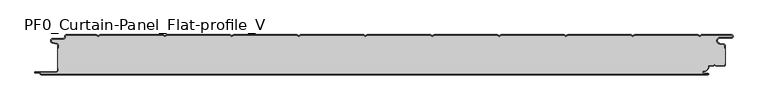
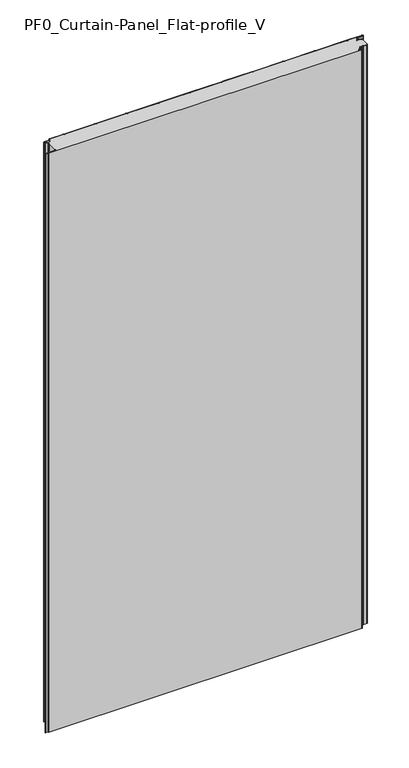
"""IFC4 building model written with IfcOpenShell, lengths in millimetres: plate geometry, PF0_Curtain-Panel_Flat-profile_V."""

from ifc_helpers import new_model, si_unit, point, frame, frame_2d, origin, origin_with_axes, place, context, project, spatial, polyline, circle_curve, trimmed, segment, composite_curve, outline, extrude, source, transform, mapped, element, save
from ifc_brep_helpers import plane_surface, cylinder_surface, revolved_surface, advanced_brep


def pf0_curtain_panel_flat_profile_v_43786454(model_context):
    return source(origin(), model_context, "Body", "SolidModel", [
        advanced_brep(
        [(-500.0, -15.878557, 1945.7507136), (-500.0, -20.0, 1945.7507136), (-499.2, -20.0, 1945.7507136), (-499.2, -15.878557, 1945.7507136), (-501.370137, -13.1503208, 1945.7507136), (-507.529863, -11.728236, 1945.7507136), (-506.9, -6.2, 1945.7507136), (-491.4, -6.2, 1945.7507136), (-488.6, -3.4, 1945.7507136), (-488.6, -2.0, 1945.7507136), (-487.4, -0.8, 1945.7507136), (-442.3143588, -0.8, 1945.7507136), (-439.4, -2.482606, 1945.7507136), (-436.4856412, -0.8, 1945.7507136), (-342.3143588, -0.8, 1945.7507136), (-339.4, -2.482606, 1945.7507136), (-336.4856412, -0.8, 1945.7507136), (-242.3143588, -0.8, 1945.7507136), (-239.4, -2.482606, 1945.7507136), (-236.4856412, -0.8, 1945.7507136), (-142.3143588, -0.8, 1945.7507136), (-139.4, -2.482606, 1945.7507136), (-136.4856412, -0.8, 1945.7507136), (-42.3143588, -0.8, 1945.7507136), (-39.4, -2.482606, 1945.7507136), (-36.4856412, -0.8, 1945.7507136), (57.6856412, -0.8, 1945.7507136), (60.6, -2.482606, 1945.7507136), (63.5143588, -0.8, 1945.7507136), (157.6856412, -0.8, 1945.7507136), (160.6, -2.482606, 1945.7507136), (163.5143588, -0.8, 1945.7507136), (257.6856412, -0.8, 1945.7507136), (260.6, -2.482606, 1945.7507136), (263.5143588, -0.8, 1945.7507136), (357.6856412, -0.8, 1945.7507136), (360.6, -2.482606, 1945.7507136), (363.5143588, -0.8, 1945.7507136), (457.6856412, -0.8, 1945.7507136), (460.6, -2.482606, 1945.7507136), (463.5143588, -0.8, 1945.7507136), (508.1, -0.8, 1945.7507136), (508.1, -4.2, 1945.7507136), (491.1, -4.2, 1945.7507136), (490.2664884, -13.7270771, 1945.7507136), (496.7125669, -14.8636953, 1945.7507136), (498.2, -16.6363492, 1945.7507136), (498.2, -20.0, 1945.7507136), (499.0, -20.0, 1945.7507136), (499.0, -16.6363492, 1945.7507136), (496.8514855, -14.0758491, 1945.7507136), (490.405407, -12.939231, 1945.7507136), (491.1, -5.0, 1945.7507136), (508.1, -5.0, 1945.7507136), (510.6, -2.5, 1945.7507136), (508.1, 0.0, 1945.7507136), (463.2999995, 0.0, 1945.7507136), (460.6, -1.5588455, 1945.7507136), (457.9000005, 0.0, 1945.7507136), (363.2999995, 0.0, 1945.7507136), (360.6, -1.5588455, 1945.7507136), (357.9000005, 0.0, 1945.7507136), (263.2999995, 0.0, 1945.7507136), (260.6, -1.5588455, 1945.7507136), (257.9000005, 0.0, 1945.7507136), (163.2999995, 0.0, 1945.7507136), (160.6, -1.5588455, 1945.7507136), (157.9000005, 0.0, 1945.7507136), (63.2999995, 0.0, 1945.7507136), (60.6, -1.5588455, 1945.7507136), (57.9000005, 0.0, 1945.7507136), (-36.7000005, 0.0, 1945.7507136), (-39.4, -1.5588455, 1945.7507136), (-42.0999995, 0.0, 1945.7507136), (-136.7000005, 0.0, 1945.7507136), (-139.4, -1.5588455, 1945.7507136), (-142.0999995, 0.0, 1945.7507136), (-236.7000005, 0.0, 1945.7507136), (-239.4, -1.5588455, 1945.7507136), (-242.0999995, 0.0, 1945.7507136), (-336.7000005, 0.0, 1945.7507136), (-339.4, -1.5588455, 1945.7507136), (-342.0999995, 0.0, 1945.7507136), (-436.7000005, 0.0, 1945.7507136), (-439.4, -1.5588455, 1945.7507136), (-442.0999995, 0.0, 1945.7507136), (-487.4, 0.0, 1945.7507136), (-489.4, -2.0, 1945.7507136), (-489.4, -3.4, 1945.7507136), (-491.4, -5.4, 1945.7507136), (-506.9, -5.4, 1945.7507136), (-507.7098239, -12.5077322, 1945.7507136), (-501.5500979, -13.929817, 1945.7507136), (-500.0, -15.878557, 0.0), (-501.5500978, -13.9298169, 0.0), (-507.7098239, -12.507732, 0.0), (-506.9, -5.4, 0.0), (-491.4, -5.4, 0.0), (-489.4, -3.4, 0.0), (-489.4, -2.0, 0.0), (-487.4, 0.0, 0.0), (-442.0999995, 0.0, 0.0), (-439.4, -1.5588455, 0.0), (-436.7000005, 0.0, 0.0), (-342.0999995, 0.0, 0.0), (-339.4, -1.5588455, 0.0), (-336.7000005, 0.0, 0.0), (-242.0999995, 0.0, 0.0), (-239.4, -1.5588455, 0.0), (-236.7000005, 0.0, 0.0), (-142.0999995, 0.0, 0.0), (-139.4, -1.5588455, 0.0), (-136.7000005, 0.0, 0.0), (-42.0999995, 0.0, 0.0), (-39.4, -1.5588455, 0.0), (-36.7000005, 0.0, 0.0), (57.9000005, 0.0, 0.0), (60.6, -1.5588455, 0.0), (63.2999995, 0.0, 0.0), (157.9000005, 0.0, 0.0), (160.6, -1.5588455, 0.0), (163.2999995, 0.0, 0.0), (257.9000005, 0.0, 0.0), (260.6, -1.5588455, 0.0), (263.2999995, 0.0, 0.0), (357.9000005, 0.0, 0.0), (360.6, -1.5588455, 0.0), (363.2999995, 0.0, 0.0), (457.9000005, 0.0, 0.0), (460.6, -1.5588455, 0.0), (463.2999995, 0.0, 0.0), (508.1, 0.0, 0.0), (510.6, -2.5, 0.0), (508.1, -5.0, 0.0), (491.1, -5.0, 0.0), (490.405407, -12.939231, 0.0), (496.8514855, -14.0758491, 0.0), (499.0, -16.6363492, 0.0), (499.0, -20.0, 0.0), (498.2, -20.0, 0.0), (498.2, -16.6363492, 0.0), (496.7125669, -14.8636953, 0.0), (490.2664884, -13.7270772, 0.0), (491.1, -4.2, 0.0), (508.1, -4.2, 0.0), (508.1, -0.8, 0.0), (463.5143588, -0.8, 0.0), (460.6, -2.482606, 0.0), (457.6856412, -0.8, 0.0), (363.5143588, -0.8, 0.0), (360.6, -2.482606, 0.0), (357.6856412, -0.8, 0.0), (263.5143588, -0.8, 0.0), (260.6, -2.482606, 0.0), (257.6856412, -0.8, 0.0), (163.5143588, -0.8, 0.0), (160.6, -2.482606, 0.0), (157.6856412, -0.8, 0.0), (63.5143588, -0.8, 0.0), (60.6, -2.482606, 0.0), (57.6856412, -0.8, 0.0), (-36.4856412, -0.8, 0.0), (-39.4, -2.482606, 0.0), (-42.3143588, -0.8, 0.0), (-136.4856412, -0.8, 0.0), (-139.4, -2.482606, 0.0), (-142.3143588, -0.8, 0.0), (-236.4856412, -0.8, 0.0), (-239.4, -2.482606, 0.0), (-242.3143588, -0.8, 0.0), (-336.4856412, -0.8, 0.0), (-339.4, -2.482606, 0.0), (-342.3143588, -0.8, 0.0), (-436.4856412, -0.8, 0.0), (-439.4, -2.482606, 0.0), (-442.3143588, -0.8, 0.0), (-487.4, -0.8, 0.0), (-488.6, -2.0, 0.0), (-488.6, -3.4, 0.0), (-491.4, -6.2, 0.0), (-506.9, -6.2, 0.0), (-507.529863, -11.7282362, 0.0), (-501.370137, -13.150321, 0.0), (-499.2, -15.878557, 0.0), (-499.2, -20.0, 0.0), (-500.0, -20.0, 0.0)],
        [
            (0, 1),
            (1, 2),
            (2, 3),
            (3, 4, circle_curve(frame((-502.0, -15.878557, 1945.7507136), z_axis=(0.0, 0.0, 1.0), x_axis=(1.0, 0.0, 0.0)), 2.8)),
            (4, 5),
            (5, 6, circle_curve(frame((-506.9, -9.0, 1945.7507136), z_axis=(0.0, 0.0, -1.0), x_axis=(1.0, 0.0, 0.0)), 2.8)),
            (6, 7),
            (7, 8, circle_curve(frame((-491.4, -3.4, 1945.7507136), z_axis=(0.0, 0.0, 1.0), x_axis=(1.0, 0.0, 0.0)), 2.8)),
            (8, 9),
            (9, 10, circle_curve(frame((-487.4, -2.0, 1945.7507136), z_axis=(0.0, 0.0, -1.0), x_axis=(1.0, 0.0, 0.0)), 1.2)),
            (10, 11),
            (11, 12),
            (12, 13),
            (13, 14),
            (14, 15),
            (15, 16),
            (16, 17),
            (17, 18),
            (18, 19),
            (19, 20),
            (20, 21),
            (21, 22),
            (22, 23),
            (23, 24),
            (24, 25),
            (25, 26),
            (26, 27),
            (27, 28),
            (28, 29),
            (29, 30),
            (30, 31),
            (31, 32),
            (32, 33),
            (33, 34),
            (34, 35),
            (35, 36),
            (36, 37),
            (37, 38),
            (38, 39),
            (39, 40),
            (40, 41),
            (41, 42, circle_curve(frame((508.1, -2.5, 1945.7507136), z_axis=(0.0, 0.0, -1.0), x_axis=(1.0, 0.0, 0.0)), 1.7)),
            (42, 43),
            (43, 44, circle_curve(frame((491.1, -9.0, 1945.7507136), z_axis=(0.0, 0.0, 1.0), x_axis=(1.0, 0.0, 0.0)), 4.8)),
            (44, 45),
            (45, 46, circle_curve(frame((496.4, -16.6363492, 1945.7507136), z_axis=(0.0, 0.0, -1.0), x_axis=(1.0, 0.0, 0.0)), 1.8)),
            (46, 47),
            (47, 48),
            (48, 49),
            (49, 50, circle_curve(frame((496.4, -16.6363492, 1945.7507136), z_axis=(0.0, 0.0, 1.0), x_axis=(1.0, 0.0, 0.0)), 2.6)),
            (50, 51),
            (51, 52, circle_curve(frame((491.1, -9.0, 1945.7507136), z_axis=(0.0, 0.0, -1.0), x_axis=(1.0, 0.0, 0.0)), 4.0)),
            (52, 53),
            (53, 54, circle_curve(frame((508.1, -2.5, 1945.7507136), z_axis=(0.0, 0.0, 1.0), x_axis=(1.0, 0.0, 0.0)), 2.5)),
            (54, 55, circle_curve(frame((508.1, -2.5, 1945.7507136), z_axis=(0.0, 0.0, 1.0), x_axis=(1.0, 0.0, 0.0)), 2.5)),
            (55, 56),
            (56, 57),
            (57, 58),
            (58, 59),
            (59, 60),
            (60, 61),
            (61, 62),
            (62, 63),
            (63, 64),
            (64, 65),
            (65, 66),
            (66, 67),
            (67, 68),
            (68, 69),
            (69, 70),
            (70, 71),
            (71, 72),
            (72, 73),
            (73, 74),
            (74, 75),
            (75, 76),
            (76, 77),
            (77, 78),
            (78, 79),
            (79, 80),
            (80, 81),
            (81, 82),
            (82, 83),
            (83, 84),
            (84, 85),
            (85, 86),
            (86, 87, circle_curve(frame((-487.4, -2.0, 1945.7507136), z_axis=(0.0, 0.0, 1.0), x_axis=(1.0, 0.0, 0.0)), 2.0)),
            (87, 88),
            (88, 89, circle_curve(frame((-491.4, -3.4, 1945.7507136), z_axis=(0.0, 0.0, -1.0), x_axis=(1.0, 0.0, 0.0)), 2.0)),
            (89, 90),
            (90, 91, circle_curve(frame((-506.9, -9.0, 1945.7507136), z_axis=(0.0, 0.0, 1.0), x_axis=(1.0, 0.0, 0.0)), 3.6)),
            (91, 92),
            (92, 0, circle_curve(frame((-502.0, -15.878557, 1945.7507136), z_axis=(0.0, 0.0, -1.0), x_axis=(1.0, 0.0, 0.0)), 2.0)),
            (93, 94, circle_curve(frame((-502.0, -15.878557, 0.0), z_axis=(0.0, 0.0, 1.0), x_axis=(1.0, 0.0, 0.0)), 2.0)),
            (94, 95),
            (95, 96, circle_curve(frame((-506.9, -9.0, 0.0), z_axis=(0.0, 0.0, -1.0), x_axis=(1.0, 0.0, 0.0)), 3.6)),
            (96, 97),
            (97, 98, circle_curve(frame((-491.4, -3.4, 0.0), z_axis=(0.0, 0.0, 1.0), x_axis=(1.0, 0.0, 0.0)), 2.0)),
            (98, 99),
            (99, 100, circle_curve(frame((-487.4, -2.0, 0.0), z_axis=(0.0, 0.0, -1.0), x_axis=(1.0, 0.0, 0.0)), 2.0)),
            (100, 101),
            (101, 102),
            (102, 103),
            (103, 104),
            (104, 105),
            (105, 106),
            (106, 107),
            (107, 108),
            (108, 109),
            (109, 110),
            (110, 111),
            (111, 112),
            (112, 113),
            (113, 114),
            (114, 115),
            (115, 116),
            (116, 117),
            (117, 118),
            (118, 119),
            (119, 120),
            (120, 121),
            (121, 122),
            (122, 123),
            (123, 124),
            (124, 125),
            (125, 126),
            (126, 127),
            (127, 128),
            (128, 129),
            (129, 130),
            (130, 131),
            (131, 132, circle_curve(frame((508.1, -2.5, 0.0), z_axis=(0.0, 0.0, -1.0), x_axis=(1.0, 0.0, 0.0)), 2.5)),
            (132, 133, circle_curve(frame((508.1, -2.5, 0.0), z_axis=(0.0, 0.0, -1.0), x_axis=(1.0, 0.0, 0.0)), 2.5)),
            (133, 134),
            (134, 135, circle_curve(frame((491.1, -9.0, 0.0), z_axis=(0.0, 0.0, 1.0), x_axis=(1.0, 0.0, 0.0)), 4.0)),
            (135, 136),
            (136, 137, circle_curve(frame((496.4, -16.6363492, 0.0), z_axis=(0.0, 0.0, -1.0), x_axis=(1.0, 0.0, 0.0)), 2.6)),
            (137, 138),
            (138, 139),
            (139, 140),
            (140, 141, circle_curve(frame((496.4, -16.6363492, 0.0), z_axis=(0.0, 0.0, 1.0), x_axis=(1.0, 0.0, 0.0)), 1.8)),
            (141, 142),
            (142, 143, circle_curve(frame((491.1, -9.0, 0.0), z_axis=(0.0, 0.0, -1.0), x_axis=(1.0, 0.0, 0.0)), 4.8)),
            (143, 144),
            (144, 145, circle_curve(frame((508.1, -2.5, 0.0), z_axis=(0.0, 0.0, 1.0), x_axis=(1.0, 0.0, 0.0)), 1.7)),
            (145, 146),
            (146, 147),
            (147, 148),
            (148, 149),
            (149, 150),
            (150, 151),
            (151, 152),
            (152, 153),
            (153, 154),
            (154, 155),
            (155, 156),
            (156, 157),
            (157, 158),
            (158, 159),
            (159, 160),
            (160, 161),
            (161, 162),
            (162, 163),
            (163, 164),
            (164, 165),
            (165, 166),
            (166, 167),
            (167, 168),
            (168, 169),
            (169, 170),
            (170, 171),
            (171, 172),
            (172, 173),
            (173, 174),
            (174, 175),
            (175, 176),
            (176, 177, circle_curve(frame((-487.4, -2.0, 0.0), z_axis=(0.0, 0.0, 1.0), x_axis=(1.0, 0.0, 0.0)), 1.2)),
            (177, 178),
            (178, 179, circle_curve(frame((-491.4, -3.4, 0.0), z_axis=(0.0, 0.0, -1.0), x_axis=(1.0, 0.0, 0.0)), 2.8)),
            (179, 180),
            (180, 181, circle_curve(frame((-506.9, -9.0, 0.0), z_axis=(0.0, 0.0, 1.0), x_axis=(1.0, 0.0, 0.0)), 2.8)),
            (181, 182),
            (182, 183, circle_curve(frame((-502.0, -15.878557, 0.0), z_axis=(0.0, 0.0, -1.0), x_axis=(1.0, 0.0, 0.0)), 2.8)),
            (183, 184),
            (184, 185),
            (185, 93),
            (0, 93),
            (185, 1),
            (184, 2),
            (183, 3),
            (182, 4),
            (181, 5),
            (180, 6),
            (179, 7),
            (178, 8),
            (177, 9),
            (176, 10),
            (175, 11),
            (174, 12),
            (173, 13),
            (172, 14),
            (171, 15),
            (170, 16),
            (169, 17),
            (168, 18),
            (167, 19),
            (166, 20),
            (165, 21),
            (164, 22),
            (163, 23),
            (162, 24),
            (161, 25),
            (160, 26),
            (159, 27),
            (158, 28),
            (157, 29),
            (156, 30),
            (155, 31),
            (154, 32),
            (153, 33),
            (152, 34),
            (151, 35),
            (150, 36),
            (149, 37),
            (148, 38),
            (147, 39),
            (146, 40),
            (145, 41),
            (144, 42),
            (143, 43),
            (142, 44),
            (141, 45),
            (140, 46),
            (139, 47),
            (138, 48),
            (137, 49),
            (136, 50),
            (135, 51),
            (134, 52),
            (133, 53),
            (131, 55),
            (56, 130),
            (129, 57),
            (128, 58),
            (127, 59),
            (126, 60),
            (125, 61),
            (124, 62),
            (123, 63),
            (122, 64),
            (121, 65),
            (120, 66),
            (119, 67),
            (118, 68),
            (117, 69),
            (116, 70),
            (115, 71),
            (114, 72),
            (113, 73),
            (112, 74),
            (111, 75),
            (110, 76),
            (109, 77),
            (108, 78),
            (107, 79),
            (106, 80),
            (105, 81),
            (104, 82),
            (103, 83),
            (102, 84),
            (101, 85),
            (100, 86),
            (99, 87),
            (98, 88),
            (97, 89),
            (96, 90),
            (95, 91),
            (94, 92),
        ],
        [
            plane_surface(frame((-500.0, 0.0, 1945.7507136), z_axis=(0.0, 0.0, 1.0), x_axis=(0.0, 1.0, 0.0))),
            plane_surface(frame((-500.0, 0.0, 0.0), z_axis=(0.0, 0.0, -1.0), x_axis=(0.0, 1.0, 0.0))),
            plane_surface(frame((-500.0, -15.878557, 1945.7507136), z_axis=(-1.0, 0.0, 0.0), x_axis=(0.0, 0.0, -1.0))),
            plane_surface(frame((-500.0, -20.0, 1945.7507136), z_axis=(0.0, -1.0, 0.0), x_axis=(0.0, 0.0, -1.0))),
            plane_surface(frame((-499.2, -20.0, 1945.7507136), z_axis=(1.0, 0.0, 0.0), x_axis=(0.0, 0.0, -1.0))),
            cylinder_surface(frame((-502.0, -15.878557, 1945.7507136), z_axis=(0.0, 0.0, 1.0), x_axis=(1.0, 0.0, 0.0)), 2.8),
            plane_surface(frame((-501.370137, -13.150321, 1945.7507136), z_axis=(0.22495108446242484, 0.9743700578318174, 0.0), x_axis=(0.0, 0.0, -1.0))),
            revolved_surface(polyline([(-504.09999999999997, -9.0, 0.0), (-504.09999999999997, -9.0, 1945.7507136)]), (-506.9, -9.0, 1945.7507136), (0.0, 0.0, -1.0)),
            plane_surface(frame((-506.9, -6.2, 1945.7507136), z_axis=(0.0, -1.0, 0.0), x_axis=(0.0, 0.0, -1.0))),
            cylinder_surface(frame((-491.4, -3.4, 1945.7507136), z_axis=(0.0, 0.0, 1.0), x_axis=(1.0, 0.0, 0.0)), 2.8),
            plane_surface(frame((-488.6, -3.4, 1945.7507136), z_axis=(1.0, 0.0, 0.0), x_axis=(0.0, 0.0, -1.0))),
            revolved_surface(polyline([(-486.2, -2.0, 0.0), (-486.2, -2.0, 1945.7507136)]), (-487.4, -2.0, 1945.7507136), (0.0, 0.0, -1.0)),
            plane_surface(frame((-487.4, -0.8, 1945.7507136), z_axis=(0.0, -1.0, 0.0), x_axis=(0.0, 0.0, -1.0))),
            plane_surface(frame((-442.3143588, -0.8, 1945.7507136), z_axis=(-0.5000000299313342, -0.8660253865035741, 0.0), x_axis=(0.0, 0.0, -1.0))),
            plane_surface(frame((-439.4, -2.482606, 1945.7507136), z_axis=(0.5000000299313233, -0.8660253865035805, 0.0), x_axis=(0.0, 0.0, -1.0))),
            plane_surface(frame((-436.4856412, -0.8, 1945.7507136), z_axis=(0.0, -1.0, 0.0), x_axis=(0.0, 0.0, -1.0))),
            plane_surface(frame((-342.3143588, -0.8, 1945.7507136), z_axis=(-0.5000000299313346, -0.8660253865035739, 0.0), x_axis=(0.0, 0.0, -1.0))),
            plane_surface(frame((-339.4, -2.482606, 1945.7507136), z_axis=(0.5000000299313251, -0.8660253865035794, 0.0), x_axis=(0.0, 0.0, -1.0))),
            plane_surface(frame((-336.4856412, -0.8, 1945.7507136), z_axis=(0.0, -1.0, 0.0), x_axis=(0.0, 0.0, -1.0))),
            plane_surface(frame((-242.3143588, -0.8, 1945.7507136), z_axis=(-0.5000000299313346, -0.866025386503574, 0.0), x_axis=(0.0, 0.0, -1.0))),
            plane_surface(frame((-239.4, -2.482606, 1945.7507136), z_axis=(0.5000000299313251, -0.8660253865035794, 0.0), x_axis=(0.0, 0.0, -1.0))),
            plane_surface(frame((-236.4856412, -0.8, 1945.7507136), z_axis=(0.0, -1.0, 0.0), x_axis=(0.0, 0.0, -1.0))),
            plane_surface(frame((-142.3143588, -0.8, 1945.7507136), z_axis=(-0.5000000299313349, -0.8660253865035739, 0.0), x_axis=(0.0, 0.0, -1.0))),
            plane_surface(frame((-139.4, -2.482606, 1945.7507136), z_axis=(0.5000000299313233, -0.8660253865035805, 0.0), x_axis=(0.0, 0.0, -1.0))),
            plane_surface(frame((-136.4856412, -0.8, 1945.7507136), z_axis=(0.0, -1.0, 0.0), x_axis=(0.0, 0.0, -1.0))),
            plane_surface(frame((-42.3143588, -0.8, 1945.7507136), z_axis=(-0.5000000299313346, -0.866025386503574, 0.0), x_axis=(0.0, 0.0, -1.0))),
            plane_surface(frame((-39.4, -2.482606, 1945.7507136), z_axis=(0.5000000299313239, -0.8660253865035802, 0.0), x_axis=(0.0, 0.0, -1.0))),
            plane_surface(frame((-36.4856412, -0.8, 1945.7507136), z_axis=(0.0, -1.0, 0.0), x_axis=(0.0, 0.0, -1.0))),
            plane_surface(frame((57.6856412, -0.8, 1945.7507136), z_axis=(-0.5000000299313347, -0.8660253865035739, 0.0), x_axis=(0.0, 0.0, -1.0))),
            plane_surface(frame((60.6, -2.482606, 1945.7507136), z_axis=(0.5000000299313232, -0.8660253865035805, 0.0), x_axis=(0.0, 0.0, -1.0))),
            plane_surface(frame((63.5143588, -0.8, 1945.7507136), z_axis=(0.0, -1.0, 0.0), x_axis=(0.0, 0.0, -1.0))),
            plane_surface(frame((157.6856412, -0.8, 1945.7507136), z_axis=(-0.5000000299313346, -0.866025386503574, 0.0), x_axis=(0.0, 0.0, -1.0))),
            plane_surface(frame((160.6, -2.482606, 1945.7507136), z_axis=(0.5000000299313262, -0.8660253865035787, 0.0), x_axis=(0.0, 0.0, -1.0))),
            plane_surface(frame((163.5143588, -0.8, 1945.7507136), z_axis=(0.0, -1.0, 0.0), x_axis=(0.0, 0.0, -1.0))),
            plane_surface(frame((257.6856412, -0.8, 1945.7507136), z_axis=(-0.5000000299313346, -0.8660253865035739, 0.0), x_axis=(0.0, 0.0, -1.0))),
            plane_surface(frame((260.6, -2.482606, 1945.7507136), z_axis=(0.5000000299313263, -0.8660253865035787, 0.0), x_axis=(0.0, 0.0, -1.0))),
            plane_surface(frame((263.5143588, -0.8, 1945.7507136), z_axis=(0.0, -1.0, 0.0), x_axis=(0.0, 0.0, -1.0))),
            plane_surface(frame((357.6856412, -0.8, 1945.7507136), z_axis=(-0.5000000299313346, -0.8660253865035739, 0.0), x_axis=(0.0, 0.0, -1.0))),
            plane_surface(frame((360.6, -2.482606, 1945.7507136), z_axis=(0.5000000299313255, -0.8660253865035792, 0.0), x_axis=(0.0, 0.0, -1.0))),
            plane_surface(frame((363.5143588, -0.8, 1945.7507136), z_axis=(0.0, -1.0, 0.0), x_axis=(0.0, 0.0, -1.0))),
            plane_surface(frame((457.6856412, -0.8, 1945.7507136), z_axis=(-0.5000000299313347, -0.8660253865035739, 0.0), x_axis=(0.0, 0.0, -1.0))),
            plane_surface(frame((460.6, -2.482606, 1945.7507136), z_axis=(0.5000000299313263, -0.8660253865035787, 0.0), x_axis=(0.0, 0.0, -1.0))),
            plane_surface(frame((463.5143588, -0.8, 1945.7507136), z_axis=(0.0, -1.0, 0.0), x_axis=(0.0, 0.0, -1.0))),
            revolved_surface(polyline([(509.8, -2.5, 0.0), (509.8, -2.5, 1945.7507136)]), (508.1, -2.5, 1945.7507136), (0.0, 0.0, -1.0)),
            plane_surface(frame((508.1, -4.2, 1945.7507136), z_axis=(0.0, 1.0, 0.0), x_axis=(0.0, 0.0, -1.0))),
            cylinder_surface(frame((491.1, -9.0, 1945.7507136), z_axis=(0.0, 0.0, 1.0), x_axis=(1.0, 0.0, 0.0)), 4.8),
            plane_surface(frame((490.2664884, -13.7270772, 1945.7507136), z_axis=(-0.17364825602592485, -0.9848077391954, 0.0), x_axis=(0.0, 0.0, -1.0))),
            revolved_surface(polyline([(498.2, -16.6363492, 0.0), (498.2, -16.6363492, 1945.7507136)]), (496.4, -16.6363492, 1945.7507136), (0.0, 0.0, -1.0)),
            plane_surface(frame((498.2, -16.6363492, 1945.7507136), z_axis=(-1.0, 0.0, 0.0), x_axis=(0.0, 0.0, -1.0))),
            plane_surface(frame((498.2, -20.0, 1945.7507136), z_axis=(0.0, -1.0, 0.0), x_axis=(0.0, 0.0, -1.0))),
            plane_surface(frame((499.0, -20.0, 1945.7507136), z_axis=(1.0, 0.0, 0.0), x_axis=(0.0, 0.0, -1.0))),
            cylinder_surface(frame((496.4, -16.6363492, 1945.7507136), z_axis=(0.0, 0.0, 1.0), x_axis=(1.0, 0.0, 0.0)), 2.6),
            plane_surface(frame((496.8514855, -14.0758491, 1945.7507136), z_axis=(0.1736482560259256, 0.9848077391953998, 0.0), x_axis=(0.0, 0.0, -1.0))),
            revolved_surface(polyline([(495.1, -9.0, 0.0), (495.1, -9.0, 1945.7507136)]), (491.1, -9.0, 1945.7507136), (0.0, 0.0, -1.0)),
            plane_surface(frame((491.1, -5.0, 1945.7507136), z_axis=(0.0, -1.0, 0.0), x_axis=(0.0, 0.0, -1.0))),
            cylinder_surface(frame((508.1, -2.5, 1945.7507136), z_axis=(0.0, 0.0, 1.0), x_axis=(1.0, 0.0, 0.0)), 2.5),
            plane_surface(frame((463.2999995, 0.0, 1945.7507136), z_axis=(-0.5000000299313235, 0.8660253865035803, 0.0), x_axis=(0.0, 0.0, -1.0))),
            plane_surface(frame((460.6, -1.5588455, 1945.7507136), z_axis=(0.5000000299313346, 0.8660253865035739, 0.0), x_axis=(0.0, 0.0, -1.0))),
            plane_surface(frame((457.9000005, 0.0, 1945.7507136), z_axis=(0.0, 1.0, 0.0), x_axis=(0.0, 0.0, -1.0))),
            plane_surface(frame((363.2999995, 0.0, 1945.7507136), z_axis=(-0.5000000299313235, 0.8660253865035803, 0.0), x_axis=(0.0, 0.0, -1.0))),
            plane_surface(frame((360.6, -1.5588455, 1945.7507136), z_axis=(0.5000000299313346, 0.8660253865035739, 0.0), x_axis=(0.0, 0.0, -1.0))),
            plane_surface(frame((357.9000005, 0.0, 1945.7507136), z_axis=(0.0, 1.0, 0.0), x_axis=(0.0, 0.0, -1.0))),
            plane_surface(frame((263.2999995, 0.0, 1945.7507136), z_axis=(-0.5000000299313235, 0.8660253865035803, 0.0), x_axis=(0.0, 0.0, -1.0))),
            plane_surface(frame((260.6, -1.5588455, 1945.7507136), z_axis=(0.5000000299313346, 0.8660253865035739, 0.0), x_axis=(0.0, 0.0, -1.0))),
            plane_surface(frame((257.9000005, 0.0, 1945.7507136), z_axis=(0.0, 1.0, 0.0), x_axis=(0.0, 0.0, -1.0))),
            plane_surface(frame((163.2999995, 0.0, 1945.7507136), z_axis=(-0.5000000299313235, 0.8660253865035803, 0.0), x_axis=(0.0, 0.0, -1.0))),
            plane_surface(frame((160.6, -1.5588455, 1945.7507136), z_axis=(0.5000000299313346, 0.8660253865035739, 0.0), x_axis=(0.0, 0.0, -1.0))),
            plane_surface(frame((157.9000005, 0.0, 1945.7507136), z_axis=(0.0, 1.0, 0.0), x_axis=(0.0, 0.0, -1.0))),
            plane_surface(frame((63.2999995, 0.0, 1945.7507136), z_axis=(-0.5000000299313235, 0.8660253865035803, 0.0), x_axis=(0.0, 0.0, -1.0))),
            plane_surface(frame((60.6, -1.5588455, 1945.7507136), z_axis=(0.5000000299313346, 0.8660253865035739, 0.0), x_axis=(0.0, 0.0, -1.0))),
            plane_surface(frame((57.9000005, 0.0, 1945.7507136), z_axis=(0.0, 1.0, 0.0), x_axis=(0.0, 0.0, -1.0))),
            plane_surface(frame((-36.7000005, 0.0, 1945.7507136), z_axis=(-0.5000000299313235, 0.8660253865035803, 0.0), x_axis=(0.0, 0.0, -1.0))),
            plane_surface(frame((-39.4, -1.5588455, 1945.7507136), z_axis=(0.5000000299313346, 0.8660253865035739, 0.0), x_axis=(0.0, 0.0, -1.0))),
            plane_surface(frame((-42.0999995, 0.0, 1945.7507136), z_axis=(0.0, 1.0, 0.0), x_axis=(0.0, 0.0, -1.0))),
            plane_surface(frame((-136.7000005, 0.0, 1945.7507136), z_axis=(-0.5000000299313235, 0.8660253865035803, 0.0), x_axis=(0.0, 0.0, -1.0))),
            plane_surface(frame((-139.4, -1.5588455, 1945.7507136), z_axis=(0.5000000299313346, 0.8660253865035739, 0.0), x_axis=(0.0, 0.0, -1.0))),
            plane_surface(frame((-142.0999995, 0.0, 1945.7507136), z_axis=(0.0, 1.0, 0.0), x_axis=(0.0, 0.0, -1.0))),
            plane_surface(frame((-236.7000005, 0.0, 1945.7507136), z_axis=(-0.5000000299313235, 0.8660253865035803, 0.0), x_axis=(0.0, 0.0, -1.0))),
            plane_surface(frame((-239.4, -1.5588455, 1945.7507136), z_axis=(0.5000000299313346, 0.8660253865035739, 0.0), x_axis=(0.0, 0.0, -1.0))),
            plane_surface(frame((-242.0999995, 0.0, 1945.7507136), z_axis=(0.0, 1.0, 0.0), x_axis=(0.0, 0.0, -1.0))),
            plane_surface(frame((-336.7000005, 0.0, 1945.7507136), z_axis=(-0.5000000299313235, 0.8660253865035803, 0.0), x_axis=(0.0, 0.0, -1.0))),
            plane_surface(frame((-339.4, -1.5588455, 1945.7507136), z_axis=(0.5000000299313346, 0.8660253865035739, 0.0), x_axis=(0.0, 0.0, -1.0))),
            plane_surface(frame((-342.0999995, 0.0, 1945.7507136), z_axis=(0.0, 1.0, 0.0), x_axis=(0.0, 0.0, -1.0))),
            plane_surface(frame((-436.7000005, 0.0, 1945.7507136), z_axis=(-0.5000000299313235, 0.8660253865035803, 0.0), x_axis=(0.0, 0.0, -1.0))),
            plane_surface(frame((-439.4, -1.5588455, 1945.7507136), z_axis=(0.5000000299313346, 0.8660253865035739, 0.0), x_axis=(0.0, 0.0, -1.0))),
            plane_surface(frame((-442.0999995, 0.0, 1945.7507136), z_axis=(0.0, 1.0, 0.0), x_axis=(0.0, 0.0, -1.0))),
            cylinder_surface(frame((-487.4, -2.0, 1945.7507136), z_axis=(0.0, 0.0, 1.0), x_axis=(1.0, 0.0, 0.0)), 2.0),
            plane_surface(frame((-489.4, -2.0, 1945.7507136), z_axis=(-1.0, 0.0, 0.0), x_axis=(0.0, 0.0, -1.0))),
            revolved_surface(polyline([(-489.4, -3.4, 0.0), (-489.4, -3.4, 1945.7507136)]), (-491.4, -3.4, 1945.7507136), (0.0, 0.0, -1.0)),
            plane_surface(frame((-491.4, -5.4, 1945.7507136), z_axis=(0.0, 1.0, 0.0), x_axis=(0.0, 0.0, -1.0))),
            cylinder_surface(frame((-506.9, -9.0, 1945.7507136), z_axis=(0.0, 0.0, 1.0), x_axis=(1.0, 0.0, 0.0)), 3.6),
            plane_surface(frame((-507.7098239, -12.507732, 1945.7507136), z_axis=(-0.22495108446242487, -0.9743700578318174, 0.0), x_axis=(0.0, 0.0, -1.0))),
            revolved_surface(polyline([(-500.0, -15.878557, 0.0), (-500.0, -15.878557, 1945.7507136)]), (-502.0, -15.878557, 1945.7507136), (0.0, 0.0, -1.0)),
            plane_surface(frame((508.1, 0.0, 1945.7507136), z_axis=(0.0, 1.0, 0.0), x_axis=(0.0, 0.0, -1.0))),
        ],
        [
            (0, [[1, 2, 3, 4, 5, 6, 7, 8, 9, 10, 11, 12, 13, 14, 15, 16, 17, 18, 19, 20, 21, 22, 23, 24, 25, 26, 27, 28, 29, 30, 31, 32, 33, 34, 35, 36, 37, 38, 39, 40, 41, 42, 43, 44, 45, 46, 47, 48, 49, 50, 51, 52, 53, 54, 55, 56, 57, 58, 59, 60, 61, 62, 63, 64, 65, 66, 67, 68, 69, 70, 71, 72, 73, 74, 75, 76, 77, 78, 79, 80, 81, 82, 83, 84, 85, 86, 87, 88, 89, 90, 91, 92, 93]]),
            (1, [[94, 95, 96, 97, 98, 99, 100, 101, 102, 103, 104, 105, 106, 107, 108, 109, 110, 111, 112, 113, 114, 115, 116, 117, 118, 119, 120, 121, 122, 123, 124, 125, 126, 127, 128, 129, 130, 131, 132, 133, 134, 135, 136, 137, 138, 139, 140, 141, 142, 143, 144, 145, 146, 147, 148, 149, 150, 151, 152, 153, 154, 155, 156, 157, 158, 159, 160, 161, 162, 163, 164, 165, 166, 167, 168, 169, 170, 171, 172, 173, 174, 175, 176, 177, 178, 179, 180, 181, 182, 183, 184, 185, 186]]),
            (2, [[-1, 187, -186, 188]]),
            (3, [[-2, -188, -185, 189]]),
            (4, [[-3, -189, -184, 190]]),
            (5, [[-4, -190, -183, 191]]),
            (6, [[-5, -191, -182, 192]]),
            (7, [[-6, -192, -181, 193]]),
            (8, [[-7, -193, -180, 194]]),
            (9, [[-8, -194, -179, 195]]),
            (10, [[-9, -195, -178, 196]]),
            (11, [[-10, -196, -177, 197]]),
            (12, [[-11, -197, -176, 198]]),
            (13, [[-12, -198, -175, 199]]),
            (14, [[-13, -199, -174, 200]]),
            (15, [[-14, -200, -173, 201]]),
            (16, [[-15, -201, -172, 202]]),
            (17, [[-16, -202, -171, 203]]),
            (18, [[-17, -203, -170, 204]]),
            (19, [[-18, -204, -169, 205]]),
            (20, [[-19, -205, -168, 206]]),
            (21, [[-20, -206, -167, 207]]),
            (22, [[-21, -207, -166, 208]]),
            (23, [[-22, -208, -165, 209]]),
            (24, [[-23, -209, -164, 210]]),
            (25, [[-24, -210, -163, 211]]),
            (26, [[-25, -211, -162, 212]]),
            (27, [[-26, -212, -161, 213]]),
            (28, [[-27, -213, -160, 214]]),
            (29, [[-28, -214, -159, 215]]),
            (30, [[-29, -215, -158, 216]]),
            (31, [[-30, -216, -157, 217]]),
            (32, [[-31, -217, -156, 218]]),
            (33, [[-32, -218, -155, 219]]),
            (34, [[-33, -219, -154, 220]]),
            (35, [[-34, -220, -153, 221]]),
            (36, [[-35, -221, -152, 222]]),
            (37, [[-36, -222, -151, 223]]),
            (38, [[-37, -223, -150, 224]]),
            (39, [[-38, -224, -149, 225]]),
            (40, [[-39, -225, -148, 226]]),
            (41, [[-40, -226, -147, 227]]),
            (42, [[-41, -227, -146, 228]]),
            (43, [[-42, -228, -145, 229]]),
            (44, [[-43, -229, -144, 230]]),
            (45, [[-44, -230, -143, 231]]),
            (46, [[-45, -231, -142, 232]]),
            (47, [[-46, -232, -141, 233]]),
            (48, [[-47, -233, -140, 234]]),
            (49, [[-48, -234, -139, 235]]),
            (50, [[-49, -235, -138, 236]]),
            (51, [[-50, -236, -137, 237]]),
            (52, [[-51, -237, -136, 238]]),
            (53, [[-52, -238, -135, 239]]),
            (54, [[-53, -239, -134, 240]]),
            (55, [[-240, -133, -132, 241, -55, -54]]),
            (56, [[-57, 242, -130, 243]]),
            (57, [[-58, -243, -129, 244]]),
            (58, [[-59, -244, -128, 245]]),
            (59, [[-60, -245, -127, 246]]),
            (60, [[-61, -246, -126, 247]]),
            (61, [[-62, -247, -125, 248]]),
            (62, [[-63, -248, -124, 249]]),
            (63, [[-64, -249, -123, 250]]),
            (64, [[-65, -250, -122, 251]]),
            (65, [[-66, -251, -121, 252]]),
            (66, [[-67, -252, -120, 253]]),
            (67, [[-68, -253, -119, 254]]),
            (68, [[-69, -254, -118, 255]]),
            (69, [[-70, -255, -117, 256]]),
            (70, [[-71, -256, -116, 257]]),
            (71, [[-72, -257, -115, 258]]),
            (72, [[-73, -258, -114, 259]]),
            (73, [[-74, -259, -113, 260]]),
            (74, [[-75, -260, -112, 261]]),
            (75, [[-76, -261, -111, 262]]),
            (76, [[-77, -262, -110, 263]]),
            (77, [[-78, -263, -109, 264]]),
            (78, [[-79, -264, -108, 265]]),
            (79, [[-80, -265, -107, 266]]),
            (80, [[-81, -266, -106, 267]]),
            (81, [[-82, -267, -105, 268]]),
            (82, [[-83, -268, -104, 269]]),
            (83, [[-84, -269, -103, 270]]),
            (84, [[-85, -270, -102, 271]]),
            (85, [[-86, -271, -101, 272]]),
            (86, [[-87, -272, -100, 273]]),
            (87, [[-88, -273, -99, 274]]),
            (88, [[-89, -274, -98, 275]]),
            (89, [[-90, -275, -97, 276]]),
            (90, [[-91, -276, -96, 277]]),
            (91, [[-92, -277, -95, 278]]),
            (92, [[-93, -278, -94, -187]]),
            (93, [[-56, -241, -131, -242]]),
        ],
    ),
        extrude(outline(composite_curve([segment(polyline([(-499.2, -50.0), (-500.0, -50.0), (-500.0, -20.0), (-499.2, -20.0), (-499.2, -15.878557)]), True, "CONTINUOUS"), segment(trimmed(circle_curve(frame_2d((-502.0, -15.878557)), 2.8), [point((-499.2, -15.878557))], [point((-501.370137, -13.1503208))], True, "CARTESIAN"), True, "CONTINUOUS"), segment(polyline([(-501.370137, -13.1503208), (-507.529863, -11.7282362)]), True, "CONTINUOUS"), segment(trimmed(circle_curve(frame_2d((-506.9, -9.0)), 2.8), [point((-507.529863, -11.7282362))], [point((-506.9, -6.2))], False, "CARTESIAN"), True, "CONTINUOUS"), segment(polyline([(-506.9, -6.2), (-491.4, -6.2)]), True, "CONTINUOUS"), segment(trimmed(circle_curve(frame_2d((-491.4, -3.4)), 2.8), [point((-491.4, -6.2))], [point((-488.6, -3.4))], True, "CARTESIAN"), True, "CONTINUOUS"), segment(polyline([(-488.6, -3.4), (-488.6, -2.0)]), True, "CONTINUOUS"), segment(trimmed(circle_curve(frame_2d((-487.4, -2.0)), 1.2), [point((-488.6, -2.0))], [point((-487.4, -0.8))], False, "CARTESIAN"), True, "CONTINUOUS"), segment(polyline([(-487.4, -0.8), (-442.3143588, -0.8), (-439.4, -2.482606), (-436.4856412, -0.8), (-342.3143588, -0.8), (-339.4, -2.482606), (-336.4856412, -0.8), (-242.3143588, -0.8), (-239.4, -2.482606), (-236.4856412, -0.8), (-142.3143588, -0.8), (-139.4, -2.482606), (-136.4856412, -0.8), (-42.3143588, -0.8), (-39.4, -2.482606), (-36.4856412, -0.8), (57.6856412, -0.8), (60.6, -2.482606), (63.5143588, -0.8), (157.6856412, -0.8), (160.6, -2.482606), (163.5143588, -0.8), (257.6856412, -0.8), (260.6, -2.482606), (263.5143588, -0.8), (357.6856412, -0.8), (360.6, -2.482606), (363.5143588, -0.8), (457.6856412, -0.8), (460.6, -2.482606), (463.5143588, -0.8), (508.1, -0.8)]), True, "CONTINUOUS"), segment(trimmed(circle_curve(frame_2d((508.1, -2.5)), 1.7), [point((508.1, -0.8))], [point((508.1, -4.2))], False, "CARTESIAN"), True, "CONTINUOUS"), segment(polyline([(508.1, -4.2), (491.1, -4.2)]), True, "CONTINUOUS"), segment(trimmed(circle_curve(frame_2d((491.1, -9.0)), 4.8), [point((491.1, -4.2))], [point((490.2664884, -13.7270772))], True, "CARTESIAN"), True, "CONTINUOUS"), segment(polyline([(490.2664884, -13.7270772), (496.7125669, -14.8636953)]), True, "CONTINUOUS"), segment(trimmed(circle_curve(frame_2d((496.4, -16.6363492)), 1.8), [point((496.7125669, -14.8636953))], [point((498.2, -16.6363492))], False, "CARTESIAN"), True, "CONTINUOUS"), segment(polyline([(498.2, -16.6363492), (498.2, -20.0), (499.0, -20.0), (499.0, -43.0), (498.2, -43.0), (498.2, -44.4)]), True, "CONTINUOUS"), segment(trimmed(circle_curve(frame_2d((496.4, -44.4)), 1.8), [point((498.2, -44.4))], [point((496.4, -46.2))], False, "CARTESIAN"), True, "CONTINUOUS"), segment(polyline([(496.4, -46.2), (484.8313698, -46.2), (483.0, -44.3686285), (481.1686302, -46.2), (475.0, -46.2)]), True, "CONTINUOUS"), segment(trimmed(circle_curve(frame_2d((475.0, -48.0)), 1.8), [point((475.0, -46.2))], [point((473.2, -48.0))], True, "CARTESIAN"), True, "CONTINUOUS"), segment(polyline([(473.2, -48.0), (473.2, -48.8276204)]), True, "CONTINUOUS"), segment(trimmed(circle_curve(frame_2d((467.8276204, -48.8276204)), 5.3723796), [point((473.2, -48.8276204))], [point((467.8276204, -54.2))], False, "CARTESIAN"), True, "CONTINUOUS"), segment(polyline([(467.8276204, -54.2), (467.0, -54.2)]), True, "CONTINUOUS"), segment(trimmed(circle_curve(frame_2d((467.0, -56.4)), 2.2), [point((467.0, -54.2))], [point((467.0, -58.6))], True, "CARTESIAN"), True, "CONTINUOUS"), segment(polyline([(467.0, -58.6), (472.8891513, -58.6)]), True, "CONTINUOUS"), segment(trimmed(circle_curve(frame_2d((472.8891513, -58.9)), 0.3), [point((472.8891513, -58.6))], [point((472.8891513, -59.2))], False, "CARTESIAN"), True, "CONTINUOUS"), segment(polyline([(472.8891513, -59.2), (-524.4, -59.2)]), True, "CONTINUOUS"), segment(trimmed(circle_curve(frame_2d((-524.4, -58.4)), 0.8), [point((-524.4, -59.2))], [point((-525.2, -58.4))], False, "CARTESIAN"), True, "CONTINUOUS"), segment(trimmed(circle_curve(frame_2d((-526.9, -58.6133333)), 1.7133333), [point((-525.2, -58.4))], [point((-526.9, -56.9))], True, "CARTESIAN"), True, "CONTINUOUS"), segment(polyline([(-526.9, -56.9), (-532.8700312, -56.9)]), True, "CONTINUOUS"), segment(trimmed(circle_curve(frame_2d((-532.8700312, -56.6)), 0.3), [point((-532.8700312, -56.9))], [point((-532.8700312, -56.3))], False, "CARTESIAN"), True, "CONTINUOUS"), segment(polyline([(-532.8700312, -56.3), (-502.0, -56.3)]), True, "CONTINUOUS"), segment(trimmed(circle_curve(frame_2d((-502.0, -53.5)), 2.8), [point((-502.0, -56.3))], [point((-499.2, -53.5))], True, "CARTESIAN"), True, "CONTINUOUS"), segment(polyline([(-499.2, -53.5), (-499.2, -50.0)]), True, "CONTINUOUS")], self_intersect=False)), origin_with_axes(), (0.0, 0.0, 1.0), 1945.7507136),
        extrude(outline(composite_curve([segment(polyline([(-500.0, -50.0), (-499.2, -50.0), (-499.2, -53.5)]), True, "CONTINUOUS"), segment(trimmed(circle_curve(frame_2d((-502.0, -53.5)), 2.8), [point((-499.2, -53.5))], [point((-502.0, -56.3))], False, "CARTESIAN"), True, "CONTINUOUS"), segment(polyline([(-502.0, -56.3), (-532.8700312, -56.3)]), True, "CONTINUOUS"), segment(trimmed(circle_curve(frame_2d((-532.8700312, -56.6)), 0.3), [point((-532.8700312, -56.3))], [point((-532.8700312, -56.9))], True, "CARTESIAN"), True, "CONTINUOUS"), segment(polyline([(-532.8700312, -56.9), (-526.9, -56.9)]), True, "CONTINUOUS"), segment(trimmed(circle_curve(frame_2d((-526.9, -58.6133333)), 1.7133333), [point((-526.9, -56.9))], [point((-525.2, -58.4))], False, "CARTESIAN"), True, "CONTINUOUS"), segment(trimmed(circle_curve(frame_2d((-524.4, -58.4)), 0.8), [point((-525.2, -58.4))], [point((-524.4, -59.2))], True, "CARTESIAN"), True, "CONTINUOUS"), segment(polyline([(-524.4, -59.2), (472.8891513, -59.2)]), True, "CONTINUOUS"), segment(trimmed(circle_curve(frame_2d((472.8891513, -58.9)), 0.3), [point((472.8891513, -59.2))], [point((472.8891513, -58.6))], True, "CARTESIAN"), True, "CONTINUOUS"), segment(polyline([(472.8891513, -58.6), (467.0, -58.6)]), True, "CONTINUOUS"), segment(trimmed(circle_curve(frame_2d((467.0, -56.4)), 2.2), [point((467.0, -58.6))], [point((467.0, -54.2))], False, "CARTESIAN"), True, "CONTINUOUS"), segment(polyline([(467.0, -54.2), (467.8276204, -54.2)]), True, "CONTINUOUS"), segment(trimmed(circle_curve(frame_2d((467.8276204, -48.8276204)), 5.3723796), [point((467.8276204, -54.2))], [point((473.2, -48.8276204))], True, "CARTESIAN"), True, "CONTINUOUS"), segment(polyline([(473.2, -48.8276204), (473.2, -48.0)]), True, "CONTINUOUS"), segment(trimmed(circle_curve(frame_2d((475.0, -48.0)), 1.8), [point((473.2, -48.0))], [point((475.0, -46.2))], False, "CARTESIAN"), True, "CONTINUOUS"), segment(polyline([(475.0, -46.2), (481.1686302, -46.2), (483.0, -44.3686285), (484.8313698, -46.2), (496.4, -46.2)]), True, "CONTINUOUS"), segment(trimmed(circle_curve(frame_2d((496.4, -44.4)), 1.8), [point((496.4, -46.2))], [point((498.2, -44.4))], True, "CARTESIAN"), True, "CONTINUOUS"), segment(polyline([(498.2, -44.4), (498.2, -43.0), (499.0, -43.0), (499.0, -44.4)]), True, "CONTINUOUS"), segment(trimmed(circle_curve(frame_2d((496.4, -44.4)), 2.6), [point((499.0, -44.4))], [point((496.4, -47.0))], False, "CARTESIAN"), True, "CONTINUOUS"), segment(polyline([(496.4, -47.0), (484.4999988, -47.0), (483.0, -45.4999999), (481.5000012, -47.0), (475.0, -47.0)]), True, "CONTINUOUS"), segment(trimmed(circle_curve(frame_2d((475.0, -48.0)), 1.0), [point((475.0, -47.0))], [point((474.0, -48.0))], True, "CARTESIAN"), True, "CONTINUOUS"), segment(polyline([(474.0, -48.0), (474.0, -48.8276204)]), True, "CONTINUOUS"), segment(trimmed(circle_curve(frame_2d((467.8276204, -48.8276204)), 6.1723796), [point((474.0, -48.8276204))], [point((467.8276204, -55.0))], False, "CARTESIAN"), True, "CONTINUOUS"), segment(polyline([(467.8276204, -55.0), (467.0, -55.0)]), True, "CONTINUOUS"), segment(trimmed(circle_curve(frame_2d((467.0, -56.5)), 1.5), [point((467.0, -55.0))], [point((467.0, -58.0))], True, "CARTESIAN"), True, "CONTINUOUS"), segment(polyline([(467.0, -58.0), (473.0, -58.0)]), True, "CONTINUOUS"), segment(trimmed(circle_curve(frame_2d((473.0, -59.0)), 1.0), [point((473.0, -58.0))], [point((473.0, -60.0))], False, "CARTESIAN"), True, "CONTINUOUS"), segment(polyline([(473.0, -60.0), (-524.4, -60.0)]), True, "CONTINUOUS"), segment(trimmed(circle_curve(frame_2d((-524.4, -58.4)), 1.6), [point((-524.4, -60.0))], [point((-526.0, -58.4))], False, "CARTESIAN"), True, "CONTINUOUS"), segment(trimmed(circle_curve(frame_2d((-526.9, -58.4)), 0.9), [point((-526.0, -58.4))], [point((-526.9, -57.5))], True, "CARTESIAN"), True, "CONTINUOUS"), segment(polyline([(-526.9, -57.5), (-533.0, -57.5)]), True, "CONTINUOUS"), segment(trimmed(circle_curve(frame_2d((-533.0, -56.5)), 1.0), [point((-533.0, -57.5))], [point((-533.0, -55.5))], False, "CARTESIAN"), True, "CONTINUOUS"), segment(polyline([(-533.0, -55.5), (-502.0, -55.5)]), True, "CONTINUOUS"), segment(trimmed(circle_curve(frame_2d((-502.0, -53.5)), 2.0), [point((-502.0, -55.5))], [point((-500.0, -53.5))], True, "CARTESIAN"), True, "CONTINUOUS"), segment(polyline([(-500.0, -53.5), (-500.0, -50.0)]), True, "CONTINUOUS")], self_intersect=False)), origin_with_axes(), (0.0, 0.0, 1.0), 1945.7507136),
    ])


if __name__ == "__main__":
    model = new_model("IFC4")
    model_context = context("Model", 3, world=origin())
    ifc_project = project(units=[si_unit("LENGTHUNIT", "METRE", prefix="MILLI")], contexts=[model_context])
    site = spatial("IfcSite", under=ifc_project)
    building = spatial("IfcBuilding", under=site)
    placement = place(None, origin())
    pf0_curtain_panel_flat_profile_v_shape = pf0_curtain_panel_flat_profile_v_43786454(model_context)
    element("IfcPlate", 1, ObjectType="PF0_Curtain-Panel_Flat-profile_V", at=placement, inside=building, context=model_context, shape_type="MappedRepresentation", body=[
        mapped(pf0_curtain_panel_flat_profile_v_shape, transform((0.0, 0.0, 0.0), x_axis=(1.0, 0.0, 0.0), y_axis=(0.0, 1.0, 0.0), z_axis=(0.0, 0.0, 1.0))),
    ])
    save(model, "model.ifc")
